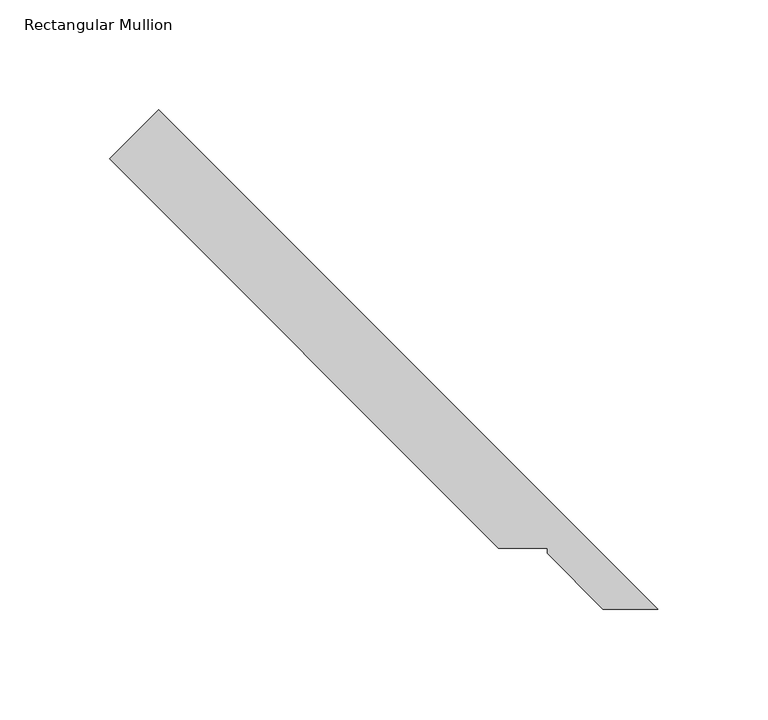
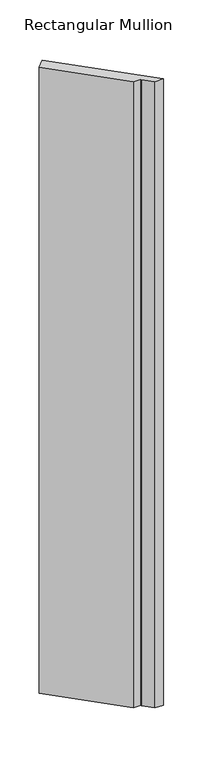
"""IFC4 building model written with IfcOpenShell, lengths in millimetres: member geometry, Rectangular Mullion."""

from ifc_helpers import new_model, si_unit, frame, origin, place, context, project, spatial, polyline, outline, extrude, source, transform, mapped, element, save


def rectangular_mullion_997890d2(model_context):
    return source(origin(), model_context, "Body", "SweptSolid", [
        extrude(outline(polyline([(-269.2055409, 224.3042603), (-246.7549006, 246.7549006), (-18.853481, 18.853481), (-43.9245805, 18.853481), (-69.4326643, 44.4703836), (-69.4326643, 46.7563836), (-91.6576642, 46.7563836), (-269.2055409, 224.3042603)])), frame((0.0, 0.0, -1965.3123001), z_axis=(0.0, 0.0, 1.0), x_axis=(1.0, 0.0, 0.0)), (0.0, 0.0, 1.0), 1965.3123001),
    ])


if __name__ == "__main__":
    model = new_model("IFC4")
    model_context = context("Model", 3, world=origin())
    ifc_project = project(units=[si_unit("LENGTHUNIT", "METRE", prefix="MILLI")], contexts=[model_context])
    site = spatial("IfcSite", under=ifc_project)
    building = spatial("IfcBuilding", under=site)
    placement = place(None, origin())
    rectangular_mullion_shape = rectangular_mullion_997890d2(model_context)
    element("IfcMember", 1, ObjectType="Rectangular Mullion", at=placement, inside=building, context=model_context, shape_type="MappedRepresentation", body=[
        mapped(rectangular_mullion_shape, transform((0.0, 0.0, 0.0), x_axis=(1.0, 0.0, 0.0), y_axis=(0.0, 1.0, 0.0), z_axis=(0.0, 0.0, 1.0))),
    ])
    save(model, "model.ifc")
